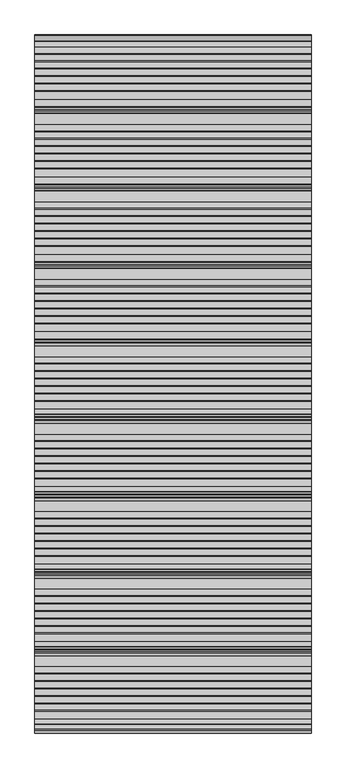
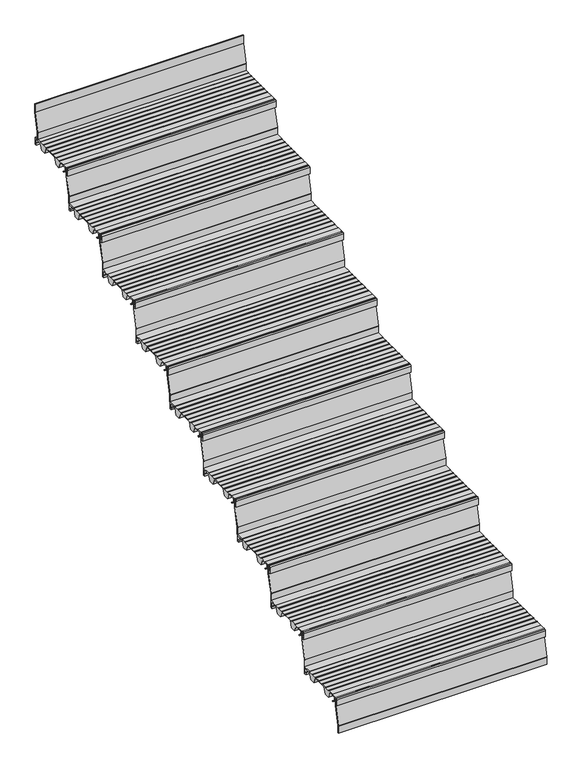
"""IFC4 building model written with IfcOpenShell, lengths in millimetres: stair flight geometry."""

from ifc_helpers import new_model, si_unit, point, frame, frame_2d, origin, place, context, project, spatial, polyline, circle_curve, trimmed, segment, composite_curve, outline, extrude, source, transform, mapped, element, save


def stair_flight_8d17edbe(model_context):
    return source(origin(), model_context, "Body", "SweptSolid", [
        extrude(outline(composite_curve([segment(polyline([(-12915.7714581, 4122.0083372), (-12904.0121655, 4112.8608187), (-12900.5625929, 4112.8532161), (-12900.5684453, 4110.197748), (-12904.9259703, 4110.2073517), (-12918.2117943, 4120.5423544), (-12918.8689923, 4140.3419091), (-12935.6889024, 4140.3048394), (-12935.6889024, 4118.9532616), (-12929.7889347, 4118.9662647), (-12929.7889347, 4109.707616), (-12938.9832568, 4109.707616), (-12938.9832568, 4140.5882353)]), True, "CONTINUOUS"), segment(trimmed(circle_curve(frame_2d((-12933.9832568, 4140.5882353)), 5.0), [point((-12938.9832568, 4140.5882353))], [point((-12933.9832568, 4145.5882353))], False, "CARTESIAN"), True, "CONTINUOUS"), segment(polyline([(-12933.9832568, 4145.5882353), (-12899.2747035, 4145.5882353), (-12899.2747035, 4144.2062594), (-12869.2485475, 4144.1400841), (-12869.2485475, 4145.7289212), (-12867.213968, 4145.7289212), (-12867.213968, 4143.7846383), (-12842.3673917, 4143.7846383), (-12842.3673917, 4145.7289212), (-12840.3328122, 4145.7289212), (-12840.3328122, 4143.7846383), (-12815.4862358, 4143.7846383), (-12815.4862358, 4145.7289212), (-12813.4516563, 4145.7289212), (-12813.4516563, 4143.7846383), (-12788.60508, 4143.7846383), (-12788.60508, 4145.7289212), (-12786.5705005, 4145.7289212), (-12786.5705005, 4143.7846383), (-12761.7239241, 4143.7846383), (-12761.7239241, 4145.7289212), (-12759.6893446, 4145.7289212), (-12759.6893446, 4143.7846383), (-12734.852176, 4143.7846383), (-12734.852176, 4145.7289212), (-12732.8175965, 4145.7289212), (-12732.8175965, 4143.7846383), (-12707.9697223, 4143.7846383), (-12707.9697223, 4145.6741584), (-12668.9832568, 4145.5882353), (-12668.9832568, 4109.6873524), (-12678.1775789, 4109.707616), (-12678.1775789, 4118.9662647), (-12672.2776112, 4118.9532616), (-12672.2776112, 4140.3048394), (-12710.4991521, 4140.3890766), (-12721.2246336, 4109.8024883), (-12746.1164136, 4109.8573478), (-12759.1103611, 4141.063068), (-12829.7810763, 4141.2188207), (-12840.7051778, 4110.0658141), (-12865.5969579, 4110.1206736), (-12878.6696565, 4141.5155193), (-12899.2747035, 4141.5609312), (-12899.2747035, 4140.3850934), (-12916.3801784, 4140.3473943), (-12915.7714581, 4122.0083372)]), True, "CONTINUOUS")], self_intersect=False)), frame((-16322.7515248, 0.0, 0.0), z_axis=(1.0, 0.0, 0.0), x_axis=(0.0, 1.0, 0.0)), (0.0, 0.0, 1.0), 1000.0),
        extrude(outline(composite_curve([segment(polyline([(-12927.4779196, 4145.5882353), (-12925.4776692, 4145.5882353), (-12925.4776692, 4104.1312856)]), True, "CONTINUOUS"), segment(trimmed(circle_curve(frame_2d((-12929.3540568, 4104.0469557)), 3.8773048), [point((-12925.4776692, 4104.1312856))], [point((-12925.5840737, 4103.1410199))], False, "CARTESIAN"), True, "CONTINUOUS"), segment(polyline([(-12925.5840737, 4103.1410199), (-12946.9830064, 4014.0909912), (-12946.9830064, 3978.0882353), (-12948.9832568, 3978.0882353), (-12948.9832568, 4013.7817433)]), True, "CONTINUOUS"), segment(trimmed(circle_curve(frame_2d((-12944.394955, 4013.7817433)), 4.5883018), [point((-12948.9832568, 4013.7817433))], [point((-12948.8562551, 4014.8538043))], False, "CARTESIAN"), True, "CONTINUOUS"), segment(polyline([(-12948.8562551, 4014.8538043), (-12927.4779196, 4103.8181193), (-12927.4779196, 4145.5882353)]), True, "CONTINUOUS")], self_intersect=False)), frame((-16322.7515248, 0.0, 0.0), z_axis=(1.0, 0.0, 0.0), x_axis=(0.0, 1.0, 0.0)), (0.0, 0.0, 1.0), 1000.0),
        extrude(outline(composite_curve([segment(polyline([(-12647.4779196, 4311.4117647), (-12645.4776692, 4311.4117647), (-12645.4776692, 4269.954815)]), True, "CONTINUOUS"), segment(trimmed(circle_curve(frame_2d((-12649.3540568, 4269.8704851)), 3.8773048), [point((-12645.4776692, 4269.954815))], [point((-12645.5840737, 4268.9645493))], False, "CARTESIAN"), True, "CONTINUOUS"), segment(polyline([(-12645.5840737, 4268.9645493), (-12666.9830064, 4179.9145206), (-12666.9830064, 4143.9117647), (-12668.9832568, 4143.9117647), (-12668.9832568, 4179.6052727)]), True, "CONTINUOUS"), segment(trimmed(circle_curve(frame_2d((-12664.394955, 4179.6052727)), 4.5883018), [point((-12668.9832568, 4179.6052727))], [point((-12668.8562551, 4180.6773337))], False, "CARTESIAN"), True, "CONTINUOUS"), segment(polyline([(-12668.8562551, 4180.6773337), (-12647.4779196, 4269.6416487), (-12647.4779196, 4311.4117647)]), True, "CONTINUOUS")], self_intersect=False)), frame((-16322.7515248, 0.0, 0.0), z_axis=(1.0, 0.0, 0.0), x_axis=(0.0, 1.0, 0.0)), (0.0, 0.0, 1.0), 1000.0),
        extrude(outline(composite_curve([segment(polyline([(-12635.7714581, 4287.8318666), (-12624.0121655, 4278.6843481), (-12620.5625929, 4278.6767455), (-12620.5684453, 4276.0212774), (-12624.9259703, 4276.0308811), (-12638.2117943, 4286.3658838), (-12638.8689923, 4306.1654385), (-12655.6889024, 4306.1283688), (-12655.6889024, 4284.7767911), (-12649.7889347, 4284.7897941), (-12649.7889347, 4275.5311454), (-12658.9832568, 4275.5311454), (-12658.9832568, 4306.4117647)]), True, "CONTINUOUS"), segment(trimmed(circle_curve(frame_2d((-12653.9832568, 4306.4117647)), 5.0), [point((-12658.9832568, 4306.4117647))], [point((-12653.9832568, 4311.4117647))], False, "CARTESIAN"), True, "CONTINUOUS"), segment(polyline([(-12653.9832568, 4311.4117647), (-12619.2747035, 4311.4117647), (-12619.2747035, 4310.0297889), (-12589.2485475, 4309.9636136), (-12589.2485475, 4311.5524506), (-12587.213968, 4311.5524506), (-12587.213968, 4309.6081677), (-12562.3673917, 4309.6081677), (-12562.3673917, 4311.5524506), (-12560.3328122, 4311.5524506), (-12560.3328122, 4309.6081677), (-12535.4862358, 4309.6081677), (-12535.4862358, 4311.5524506), (-12533.4516563, 4311.5524506), (-12533.4516563, 4309.6081677), (-12508.60508, 4309.6081677), (-12508.60508, 4311.5524506), (-12506.5705005, 4311.5524506), (-12506.5705005, 4309.6081677), (-12481.7239241, 4309.6081677), (-12481.7239241, 4311.5524506), (-12479.6893446, 4311.5524506), (-12479.6893446, 4309.6081677), (-12454.852176, 4309.6081677), (-12454.852176, 4311.5524506), (-12452.8175965, 4311.5524506), (-12452.8175965, 4309.6081677), (-12427.9697223, 4309.6081677), (-12427.9697223, 4311.4976878), (-12388.9832568, 4311.4117647), (-12388.9832568, 4275.5108818), (-12398.1775789, 4275.5311454), (-12398.1775789, 4284.7897941), (-12392.2776112, 4284.7767911), (-12392.2776112, 4306.1283688), (-12430.4991521, 4306.2126061), (-12441.2246336, 4275.6260177), (-12466.1164136, 4275.6808772), (-12479.1103611, 4306.8865974), (-12549.7810763, 4307.0423501), (-12560.7051778, 4275.8893435), (-12585.5969579, 4275.944203), (-12598.6696565, 4307.3390487), (-12619.2747035, 4307.3844606), (-12619.2747035, 4306.2086228), (-12636.3801784, 4306.1709237), (-12635.7714581, 4287.8318666)]), True, "CONTINUOUS")], self_intersect=False)), frame((-16322.7515248, 0.0, 0.0), z_axis=(1.0, 0.0, 0.0), x_axis=(0.0, 1.0, 0.0)), (0.0, 0.0, 1.0), 1000.0),
        extrude(outline(composite_curve([segment(polyline([(-12367.4779196, 4477.2352941), (-12365.4776692, 4477.2352941), (-12365.4776692, 4435.7783444)]), True, "CONTINUOUS"), segment(trimmed(circle_curve(frame_2d((-12369.3540568, 4435.6940145)), 3.8773048), [point((-12365.4776692, 4435.7783444))], [point((-12365.5840737, 4434.7880787))], False, "CARTESIAN"), True, "CONTINUOUS"), segment(polyline([(-12365.5840737, 4434.7880787), (-12386.9830064, 4345.73805), (-12386.9830064, 4309.7352941), (-12388.9832568, 4309.7352941), (-12388.9832568, 4345.4288021)]), True, "CONTINUOUS"), segment(trimmed(circle_curve(frame_2d((-12384.394955, 4345.4288021)), 4.5883018), [point((-12388.9832568, 4345.4288021))], [point((-12388.8562551, 4346.5008631))], False, "CARTESIAN"), True, "CONTINUOUS"), segment(polyline([(-12388.8562551, 4346.5008631), (-12367.4779196, 4435.4651781), (-12367.4779196, 4477.2352941)]), True, "CONTINUOUS")], self_intersect=False)), frame((-16322.7515248, 0.0, 0.0), z_axis=(1.0, 0.0, 0.0), x_axis=(0.0, 1.0, 0.0)), (0.0, 0.0, 1.0), 1000.0),
        extrude(outline(composite_curve([segment(polyline([(-12355.7714581, 4453.655396), (-12344.0121655, 4444.5078775), (-12340.5625929, 4444.5002749), (-12340.5684453, 4441.8448068), (-12344.9259703, 4441.8544105), (-12358.2117943, 4452.1894132), (-12358.8689923, 4471.988968), (-12375.6889024, 4471.9518982), (-12375.6889024, 4450.6003205), (-12369.7889347, 4450.6133235), (-12369.7889347, 4441.3546748), (-12378.9832568, 4441.3546748), (-12378.9832568, 4472.2352941)]), True, "CONTINUOUS"), segment(trimmed(circle_curve(frame_2d((-12373.9832568, 4472.2352941)), 5.0), [point((-12378.9832568, 4472.2352941))], [point((-12373.9832568, 4477.2352941))], False, "CARTESIAN"), True, "CONTINUOUS"), segment(polyline([(-12373.9832568, 4477.2352941), (-12339.2747035, 4477.2352941), (-12339.2747035, 4475.8533183), (-12309.2485475, 4475.787143), (-12309.2485475, 4477.37598), (-12307.213968, 4477.37598), (-12307.213968, 4475.4316971), (-12282.3673917, 4475.4316971), (-12282.3673917, 4477.37598), (-12280.3328122, 4477.37598), (-12280.3328122, 4475.4316971), (-12255.4862358, 4475.4316971), (-12255.4862358, 4477.37598), (-12253.4516563, 4477.37598), (-12253.4516563, 4475.4316971), (-12228.60508, 4475.4316971), (-12228.60508, 4477.37598), (-12226.5705005, 4477.37598), (-12226.5705005, 4475.4316971), (-12201.7239241, 4475.4316971), (-12201.7239241, 4477.37598), (-12199.6893446, 4477.37598), (-12199.6893446, 4475.4316971), (-12174.852176, 4475.4316971), (-12174.852176, 4477.37598), (-12172.8175965, 4477.37598), (-12172.8175965, 4475.4316971), (-12147.9697223, 4475.4316971), (-12147.9697223, 4477.3212172), (-12108.9832568, 4477.2352941), (-12108.9832568, 4441.3344112), (-12118.1775789, 4441.3546748), (-12118.1775789, 4450.6133235), (-12112.2776112, 4450.6003205), (-12112.2776112, 4471.9518982), (-12150.4991521, 4472.0361355), (-12161.2246336, 4441.4495471), (-12186.1164136, 4441.5044067), (-12199.1103611, 4472.7101268), (-12269.7810763, 4472.8658795), (-12280.7051778, 4441.7128729), (-12305.5969579, 4441.7677324), (-12318.6696565, 4473.1625781), (-12339.2747035, 4473.2079901), (-12339.2747035, 4472.0321522), (-12356.3801784, 4471.9944531), (-12355.7714581, 4453.655396)]), True, "CONTINUOUS")], self_intersect=False)), frame((-16322.7515248, 0.0, 0.0), z_axis=(1.0, 0.0, 0.0), x_axis=(0.0, 1.0, 0.0)), (0.0, 0.0, 1.0), 1000.0),
        extrude(outline(composite_curve([segment(polyline([(-12087.4779196, 4643.0588235), (-12085.4776692, 4643.0588235), (-12085.4776692, 4601.6018738)]), True, "CONTINUOUS"), segment(trimmed(circle_curve(frame_2d((-12089.3540568, 4601.5175439)), 3.8773048), [point((-12085.4776692, 4601.6018738))], [point((-12085.5840737, 4600.6116081))], False, "CARTESIAN"), True, "CONTINUOUS"), segment(polyline([(-12085.5840737, 4600.6116081), (-12106.9830064, 4511.5615794), (-12106.9830064, 4475.5588235), (-12108.9832568, 4475.5588235), (-12108.9832568, 4511.2523315)]), True, "CONTINUOUS"), segment(trimmed(circle_curve(frame_2d((-12104.394955, 4511.2523315)), 4.5883018), [point((-12108.9832568, 4511.2523315))], [point((-12108.8562551, 4512.3243925))], False, "CARTESIAN"), True, "CONTINUOUS"), segment(polyline([(-12108.8562551, 4512.3243925), (-12087.4779196, 4601.2887075), (-12087.4779196, 4643.0588235)]), True, "CONTINUOUS")], self_intersect=False)), frame((-16322.7515248, 0.0, 0.0), z_axis=(1.0, 0.0, 0.0), x_axis=(0.0, 1.0, 0.0)), (0.0, 0.0, 1.0), 1000.0),
        extrude(outline(composite_curve([segment(polyline([(-12075.7714581, 4619.4789255), (-12064.0121655, 4610.3314069), (-12060.5625929, 4610.3238043), (-12060.5684453, 4607.6683362), (-12064.9259703, 4607.6779399), (-12078.2117943, 4618.0129426), (-12078.8689923, 4637.8124974), (-12095.6889024, 4637.7754276), (-12095.6889024, 4616.4238499), (-12089.7889347, 4616.436853), (-12089.7889347, 4607.1782042), (-12098.9832568, 4607.1782042), (-12098.9832568, 4638.0588235)]), True, "CONTINUOUS"), segment(trimmed(circle_curve(frame_2d((-12093.9832568, 4638.0588235)), 5.0), [point((-12098.9832568, 4638.0588235))], [point((-12093.9832568, 4643.0588235))], False, "CARTESIAN"), True, "CONTINUOUS"), segment(polyline([(-12093.9832568, 4643.0588235), (-12059.2747035, 4643.0588235), (-12059.2747035, 4641.6768477), (-12029.2485475, 4641.6106724), (-12029.2485475, 4643.1995094), (-12027.213968, 4643.1995094), (-12027.213968, 4641.2552265), (-12002.3673917, 4641.2552265), (-12002.3673917, 4643.1995094), (-12000.3328122, 4643.1995094), (-12000.3328122, 4641.2552265), (-11975.4862358, 4641.2552265), (-11975.4862358, 4643.1995094), (-11973.4516563, 4643.1995094), (-11973.4516563, 4641.2552265), (-11948.60508, 4641.2552265), (-11948.60508, 4643.1995094), (-11946.5705005, 4643.1995094), (-11946.5705005, 4641.2552265), (-11921.7239241, 4641.2552265), (-11921.7239241, 4643.1995094), (-11919.6893446, 4643.1995094), (-11919.6893446, 4641.2552265), (-11894.852176, 4641.2552265), (-11894.852176, 4643.1995094), (-11892.8175965, 4643.1995094), (-11892.8175965, 4641.2552265), (-11867.9697223, 4641.2552265), (-11867.9697223, 4643.1447466), (-11828.9832568, 4643.0588235), (-11828.9832568, 4607.1579406), (-11838.1775789, 4607.1782042), (-11838.1775789, 4616.436853), (-11832.2776112, 4616.4238499), (-11832.2776112, 4637.7754276), (-11870.4991521, 4637.8596649), (-11881.2246336, 4607.2730765), (-11906.1164136, 4607.3279361), (-11919.1103611, 4638.5336562), (-11989.7810763, 4638.6894089), (-12000.7051778, 4607.5364023), (-12025.5969579, 4607.5912618), (-12038.6696565, 4638.9861076), (-12059.2747035, 4639.0315195), (-12059.2747035, 4637.8556816), (-12076.3801784, 4637.8179825), (-12075.7714581, 4619.4789255)]), True, "CONTINUOUS")], self_intersect=False)), frame((-16322.7515248, 0.0, 0.0), z_axis=(1.0, 0.0, 0.0), x_axis=(0.0, 1.0, 0.0)), (0.0, 0.0, 1.0), 1000.0),
        extrude(outline(composite_curve([segment(polyline([(-11807.4779196, 4808.8823529), (-11805.4776692, 4808.8823529), (-11805.4776692, 4767.4254032)]), True, "CONTINUOUS"), segment(trimmed(circle_curve(frame_2d((-11809.3540568, 4767.3410734)), 3.8773048), [point((-11805.4776692, 4767.4254032))], [point((-11805.5840737, 4766.4351375))], False, "CARTESIAN"), True, "CONTINUOUS"), segment(polyline([(-11805.5840737, 4766.4351375), (-11826.9830064, 4677.3851088), (-11826.9830064, 4641.3823529), (-11828.9832568, 4641.3823529), (-11828.9832568, 4677.075861)]), True, "CONTINUOUS"), segment(trimmed(circle_curve(frame_2d((-11824.394955, 4677.075861)), 4.5883018), [point((-11828.9832568, 4677.075861))], [point((-11828.8562551, 4678.1479219))], False, "CARTESIAN"), True, "CONTINUOUS"), segment(polyline([(-11828.8562551, 4678.1479219), (-11807.4779196, 4767.112237), (-11807.4779196, 4808.8823529)]), True, "CONTINUOUS")], self_intersect=False)), frame((-16322.7515248, 0.0, 0.0), z_axis=(1.0, 0.0, 0.0), x_axis=(0.0, 1.0, 0.0)), (0.0, 0.0, 1.0), 1000.0),
        extrude(outline(composite_curve([segment(polyline([(-11795.7714581, 4785.3024549), (-11784.0121655, 4776.1549363), (-11780.5625929, 4776.1473337), (-11780.5684453, 4773.4918657), (-11784.9259703, 4773.5014693), (-11798.2117943, 4783.836472), (-11798.8689923, 4803.6360268), (-11815.6889024, 4803.598957), (-11815.6889024, 4782.2473793), (-11809.7889347, 4782.2603824), (-11809.7889347, 4773.0017336), (-11818.9832568, 4773.0017336), (-11818.9832568, 4803.8823529)]), True, "CONTINUOUS"), segment(trimmed(circle_curve(frame_2d((-11813.9832568, 4803.8823529)), 5.0), [point((-11818.9832568, 4803.8823529))], [point((-11813.9832568, 4808.8823529))], False, "CARTESIAN"), True, "CONTINUOUS"), segment(polyline([(-11813.9832568, 4808.8823529), (-11779.2747035, 4808.8823529), (-11779.2747035, 4807.5003771), (-11749.2485475, 4807.4342018), (-11749.2485475, 4809.0230388), (-11747.213968, 4809.0230388), (-11747.213968, 4807.0787559), (-11722.3673917, 4807.0787559), (-11722.3673917, 4809.0230388), (-11720.3328122, 4809.0230388), (-11720.3328122, 4807.0787559), (-11695.4862358, 4807.0787559), (-11695.4862358, 4809.0230388), (-11693.4516563, 4809.0230388), (-11693.4516563, 4807.0787559), (-11668.60508, 4807.0787559), (-11668.60508, 4809.0230388), (-11666.5705005, 4809.0230388), (-11666.5705005, 4807.0787559), (-11641.7239241, 4807.0787559), (-11641.7239241, 4809.0230388), (-11639.6893446, 4809.0230388), (-11639.6893446, 4807.0787559), (-11614.852176, 4807.0787559), (-11614.852176, 4809.0230388), (-11612.8175965, 4809.0230388), (-11612.8175965, 4807.0787559), (-11587.9697223, 4807.0787559), (-11587.9697223, 4808.9682761), (-11548.9832568, 4808.8823529), (-11548.9832568, 4772.9814701), (-11558.1775789, 4773.0017336), (-11558.1775789, 4782.2603824), (-11552.2776112, 4782.2473793), (-11552.2776112, 4803.598957), (-11590.4991521, 4803.6831943), (-11601.2246336, 4773.096606), (-11626.1164136, 4773.1514655), (-11639.1103611, 4804.3571856), (-11709.7810763, 4804.5129384), (-11720.7051778, 4773.3599317), (-11745.5969579, 4773.4147912), (-11758.6696565, 4804.809637), (-11779.2747035, 4804.8550489), (-11779.2747035, 4803.6792111), (-11796.3801784, 4803.6415119), (-11795.7714581, 4785.3024549)]), True, "CONTINUOUS")], self_intersect=False)), frame((-16322.7515248, 0.0, 0.0), z_axis=(1.0, 0.0, 0.0), x_axis=(0.0, 1.0, 0.0)), (0.0, 0.0, 1.0), 1000.0),
        extrude(outline(composite_curve([segment(polyline([(-11527.4779196, 4974.7058824), (-11525.4776692, 4974.7058824), (-11525.4776692, 4933.2489326)]), True, "CONTINUOUS"), segment(trimmed(circle_curve(frame_2d((-11529.3540568, 4933.1646028)), 3.8773048), [point((-11525.4776692, 4933.2489326))], [point((-11525.5840737, 4932.2586669))], False, "CARTESIAN"), True, "CONTINUOUS"), segment(polyline([(-11525.5840737, 4932.2586669), (-11546.9830064, 4843.2086383), (-11546.9830064, 4807.2058824), (-11548.9832568, 4807.2058824), (-11548.9832568, 4842.8993904)]), True, "CONTINUOUS"), segment(trimmed(circle_curve(frame_2d((-11544.394955, 4842.8993904)), 4.5883018), [point((-11548.9832568, 4842.8993904))], [point((-11548.8562551, 4843.9714513))], False, "CARTESIAN"), True, "CONTINUOUS"), segment(polyline([(-11548.8562551, 4843.9714513), (-11527.4779196, 4932.9357664), (-11527.4779196, 4974.7058824)]), True, "CONTINUOUS")], self_intersect=False)), frame((-16322.7515248, 0.0, 0.0), z_axis=(1.0, 0.0, 0.0), x_axis=(0.0, 1.0, 0.0)), (0.0, 0.0, 1.0), 1000.0),
        extrude(outline(composite_curve([segment(polyline([(-11515.7714581, 4951.1259843), (-11504.0121655, 4941.9784657), (-11500.5625929, 4941.9708632), (-11500.5684453, 4939.3153951), (-11504.9259703, 4939.3249987), (-11518.2117943, 4949.6600014), (-11518.8689923, 4969.4595562), (-11535.6889024, 4969.4224864), (-11535.6889024, 4948.0709087), (-11529.7889347, 4948.0839118), (-11529.7889347, 4938.825263), (-11538.9832568, 4938.825263), (-11538.9832568, 4969.7058824)]), True, "CONTINUOUS"), segment(trimmed(circle_curve(frame_2d((-11533.9832568, 4969.7058824)), 5.0), [point((-11538.9832568, 4969.7058824))], [point((-11533.9832568, 4974.7058824))], False, "CARTESIAN"), True, "CONTINUOUS"), segment(polyline([(-11533.9832568, 4974.7058824), (-11499.2747035, 4974.7058824), (-11499.2747035, 4973.3239065), (-11469.2485475, 4973.2577312), (-11469.2485475, 4974.8465682), (-11467.213968, 4974.8465682), (-11467.213968, 4972.9022853), (-11442.3673917, 4972.9022853), (-11442.3673917, 4974.8465682), (-11440.3328122, 4974.8465682), (-11440.3328122, 4972.9022853), (-11415.4862358, 4972.9022853), (-11415.4862358, 4974.8465682), (-11413.4516563, 4974.8465682), (-11413.4516563, 4972.9022853), (-11388.60508, 4972.9022853), (-11388.60508, 4974.8465682), (-11386.5705005, 4974.8465682), (-11386.5705005, 4972.9022853), (-11361.7239241, 4972.9022853), (-11361.7239241, 4974.8465682), (-11359.6893446, 4974.8465682), (-11359.6893446, 4972.9022853), (-11334.852176, 4972.9022853), (-11334.852176, 4974.8465682), (-11332.8175965, 4974.8465682), (-11332.8175965, 4972.9022853), (-11307.9697223, 4972.9022853), (-11307.9697223, 4974.7918055), (-11268.9832568, 4974.7058824), (-11268.9832568, 4938.8049995), (-11278.1775789, 4938.825263), (-11278.1775789, 4948.0839118), (-11272.2776112, 4948.0709087), (-11272.2776112, 4969.4224864), (-11310.4991521, 4969.5067237), (-11321.2246336, 4938.9201354), (-11346.1164136, 4938.9749949), (-11359.1103611, 4970.180715), (-11429.7810763, 4970.3364678), (-11440.7051778, 4939.1834611), (-11465.5969579, 4939.2383207), (-11478.6696565, 4970.6331664), (-11499.2747035, 4970.6785783), (-11499.2747035, 4969.5027405), (-11516.3801784, 4969.4650413), (-11515.7714581, 4951.1259843)]), True, "CONTINUOUS")], self_intersect=False)), frame((-16322.7515248, 0.0, 0.0), z_axis=(1.0, 0.0, 0.0), x_axis=(0.0, 1.0, 0.0)), (0.0, 0.0, 1.0), 1000.0),
        extrude(outline(composite_curve([segment(polyline([(-11247.4779196, 5140.5294118), (-11245.4776692, 5140.5294118), (-11245.4776692, 5099.072462)]), True, "CONTINUOUS"), segment(trimmed(circle_curve(frame_2d((-11249.3540568, 5098.9881322)), 3.8773048), [point((-11245.4776692, 5099.072462))], [point((-11245.5840737, 5098.0821963))], False, "CARTESIAN"), True, "CONTINUOUS"), segment(polyline([(-11245.5840737, 5098.0821963), (-11266.9830064, 5009.0321677), (-11266.9830064, 4973.0294118), (-11268.9832568, 4973.0294118), (-11268.9832568, 5008.7229198)]), True, "CONTINUOUS"), segment(trimmed(circle_curve(frame_2d((-11264.394955, 5008.7229198)), 4.5883018), [point((-11268.9832568, 5008.7229198))], [point((-11268.8562551, 5009.7949808))], False, "CARTESIAN"), True, "CONTINUOUS"), segment(polyline([(-11268.8562551, 5009.7949808), (-11247.4779196, 5098.7592958), (-11247.4779196, 5140.5294118)]), True, "CONTINUOUS")], self_intersect=False)), frame((-16322.7515248, 0.0, 0.0), z_axis=(1.0, 0.0, 0.0), x_axis=(0.0, 1.0, 0.0)), (0.0, 0.0, 1.0), 1000.0),
        extrude(outline(composite_curve([segment(polyline([(-11235.7714581, 5116.9495137), (-11224.0121655, 5107.8019951), (-11220.5625929, 5107.7943926), (-11220.5684453, 5105.1389245), (-11224.9259703, 5105.1485281), (-11238.2117943, 5115.4835308), (-11238.8689923, 5135.2830856), (-11255.6889024, 5135.2460158), (-11255.6889024, 5113.8944381), (-11249.7889347, 5113.9074412), (-11249.7889347, 5104.6487924), (-11258.9832568, 5104.6487924), (-11258.9832568, 5135.5294118)]), True, "CONTINUOUS"), segment(trimmed(circle_curve(frame_2d((-11253.9832568, 5135.5294118)), 5.0), [point((-11258.9832568, 5135.5294118))], [point((-11253.9832568, 5140.5294118))], False, "CARTESIAN"), True, "CONTINUOUS"), segment(polyline([(-11253.9832568, 5140.5294118), (-11219.2747035, 5140.5294118), (-11219.2747035, 5139.1474359), (-11189.2485475, 5139.0812606), (-11189.2485475, 5140.6700976), (-11187.213968, 5140.6700976), (-11187.213968, 5138.7258147), (-11162.3673917, 5138.7258147), (-11162.3673917, 5140.6700976), (-11160.3328122, 5140.6700976), (-11160.3328122, 5138.7258147), (-11135.4862358, 5138.7258147), (-11135.4862358, 5140.6700976), (-11133.4516563, 5140.6700976), (-11133.4516563, 5138.7258147), (-11108.60508, 5138.7258147), (-11108.60508, 5140.6700976), (-11106.5705005, 5140.6700976), (-11106.5705005, 5138.7258147), (-11081.7239241, 5138.7258147), (-11081.7239241, 5140.6700976), (-11079.6893446, 5140.6700976), (-11079.6893446, 5138.7258147), (-11054.852176, 5138.7258147), (-11054.852176, 5140.6700976), (-11052.8175965, 5140.6700976), (-11052.8175965, 5138.7258147), (-11027.9697223, 5138.7258147), (-11027.9697223, 5140.6153349), (-10988.9832568, 5140.5294118), (-10988.9832568, 5104.6285289), (-10998.1775789, 5104.6487924), (-10998.1775789, 5113.9074412), (-10992.2776112, 5113.8944381), (-10992.2776112, 5135.2460158), (-11030.4991521, 5135.3302531), (-11041.2246336, 5104.7436648), (-11066.1164136, 5104.7985243), (-11079.1103611, 5136.0042445), (-11149.7810763, 5136.1599972), (-11160.7051778, 5105.0069905), (-11185.5969579, 5105.0618501), (-11198.6696565, 5136.4566958), (-11219.2747035, 5136.5021077), (-11219.2747035, 5135.3262699), (-11236.3801784, 5135.2885708), (-11235.7714581, 5116.9495137)]), True, "CONTINUOUS")], self_intersect=False)), frame((-16322.7515248, 0.0, 0.0), z_axis=(1.0, 0.0, 0.0), x_axis=(0.0, 1.0, 0.0)), (0.0, 0.0, 1.0), 1000.0),
        extrude(outline(composite_curve([segment(polyline([(-10967.4779196, 5306.3529412), (-10965.4776692, 5306.3529412), (-10965.4776692, 5264.8959915)]), True, "CONTINUOUS"), segment(trimmed(circle_curve(frame_2d((-10969.3540568, 5264.8116616)), 3.8773048), [point((-10965.4776692, 5264.8959915))], [point((-10965.5840737, 5263.9057257))], False, "CARTESIAN"), True, "CONTINUOUS"), segment(polyline([(-10965.5840737, 5263.9057257), (-10986.9830064, 5174.8556971), (-10986.9830064, 5138.8529412), (-10988.9832568, 5138.8529412), (-10988.9832568, 5174.5464492)]), True, "CONTINUOUS"), segment(trimmed(circle_curve(frame_2d((-10984.394955, 5174.5464492)), 4.5883018), [point((-10988.9832568, 5174.5464492))], [point((-10988.8562551, 5175.6185102))], False, "CARTESIAN"), True, "CONTINUOUS"), segment(polyline([(-10988.8562551, 5175.6185102), (-10967.4779196, 5264.5828252), (-10967.4779196, 5306.3529412)]), True, "CONTINUOUS")], self_intersect=False)), frame((-16322.7515248, 0.0, 0.0), z_axis=(1.0, 0.0, 0.0), x_axis=(0.0, 1.0, 0.0)), (0.0, 0.0, 1.0), 1000.0),
        extrude(outline(composite_curve([segment(polyline([(-10955.7714581, 5282.7730431), (-10944.0121655, 5273.6255246), (-10940.5625929, 5273.617922), (-10940.5684453, 5270.9624539), (-10944.9259703, 5270.9720575), (-10958.2117943, 5281.3070603), (-10958.8689923, 5301.106615), (-10975.6889024, 5301.0695452), (-10975.6889024, 5279.7179675), (-10969.7889347, 5279.7309706), (-10969.7889347, 5270.4723219), (-10978.9832568, 5270.4723219), (-10978.9832568, 5301.3529412)]), True, "CONTINUOUS"), segment(trimmed(circle_curve(frame_2d((-10973.9832568, 5301.3529412)), 5.0), [point((-10978.9832568, 5301.3529412))], [point((-10973.9832568, 5306.3529412))], False, "CARTESIAN"), True, "CONTINUOUS"), segment(polyline([(-10973.9832568, 5306.3529412), (-10939.2747035, 5306.3529412), (-10939.2747035, 5304.9709653), (-10909.2485475, 5304.90479), (-10909.2485475, 5306.4936271), (-10907.213968, 5306.4936271), (-10907.213968, 5304.5493441), (-10882.3673917, 5304.5493441), (-10882.3673917, 5306.4936271), (-10880.3328122, 5306.4936271), (-10880.3328122, 5304.5493441), (-10855.4862358, 5304.5493441), (-10855.4862358, 5306.4936271), (-10853.4516563, 5306.4936271), (-10853.4516563, 5304.5493441), (-10828.60508, 5304.5493441), (-10828.60508, 5306.4936271), (-10826.5705005, 5306.4936271), (-10826.5705005, 5304.5493441), (-10801.7239241, 5304.5493441), (-10801.7239241, 5306.4936271), (-10799.6893446, 5306.4936271), (-10799.6893446, 5304.5493441), (-10774.852176, 5304.5493441), (-10774.852176, 5306.4936271), (-10772.8175965, 5306.4936271), (-10772.8175965, 5304.5493441), (-10747.9697223, 5304.5493441), (-10747.9697223, 5306.4388643), (-10708.9832568, 5306.3529412), (-10708.9832568, 5270.4520583), (-10718.1775789, 5270.4723219), (-10718.1775789, 5279.7309706), (-10712.2776112, 5279.7179675), (-10712.2776112, 5301.0695452), (-10750.4991521, 5301.1537825), (-10761.2246336, 5270.5671942), (-10786.1164136, 5270.6220537), (-10799.1103611, 5301.8277739), (-10869.7810763, 5301.9835266), (-10880.7051778, 5270.8305199), (-10905.5969579, 5270.8853795), (-10918.6696565, 5302.2802252), (-10939.2747035, 5302.3256371), (-10939.2747035, 5301.1497993), (-10956.3801784, 5301.1121002), (-10955.7714581, 5282.7730431)]), True, "CONTINUOUS")], self_intersect=False)), frame((-16322.7515248, 0.0, 0.0), z_axis=(1.0, 0.0, 0.0), x_axis=(0.0, 1.0, 0.0)), (0.0, 0.0, 1.0), 1000.0),
        extrude(outline(composite_curve([segment(polyline([(-10427.4779196, 5638.0), (-10425.4776692, 5638.0), (-10425.4776692, 5596.5430503)]), True, "CONTINUOUS"), segment(trimmed(circle_curve(frame_2d((-10429.3540568, 5596.4587204)), 3.8773048), [point((-10425.4776692, 5596.5430503))], [point((-10425.5840737, 5595.5527846))], False, "CARTESIAN"), True, "CONTINUOUS"), segment(polyline([(-10425.5840737, 5595.5527846), (-10446.9830064, 5506.5027559), (-10446.9830064, 5470.5), (-10448.9832568, 5470.5), (-10448.9832568, 5506.193508)]), True, "CONTINUOUS"), segment(trimmed(circle_curve(frame_2d((-10444.394955, 5506.193508)), 4.5883018), [point((-10448.9832568, 5506.193508))], [point((-10448.8562551, 5507.265569))], False, "CARTESIAN"), True, "CONTINUOUS"), segment(polyline([(-10448.8562551, 5507.265569), (-10427.4779196, 5596.229884), (-10427.4779196, 5638.0)]), True, "CONTINUOUS")], self_intersect=False)), frame((-16322.7515248, 0.0, 0.0), z_axis=(1.0, 0.0, 0.0), x_axis=(0.0, 1.0, 0.0)), (0.0, 0.0, 1.0), 1000.0),
        extrude(outline(composite_curve([segment(polyline([(-10687.4779196, 5472.1764706), (-10685.4776692, 5472.1764706), (-10685.4776692, 5430.7195209)]), True, "CONTINUOUS"), segment(trimmed(circle_curve(frame_2d((-10689.3540568, 5430.635191)), 3.8773048), [point((-10685.4776692, 5430.7195209))], [point((-10685.5840737, 5429.7292551))], False, "CARTESIAN"), True, "CONTINUOUS"), segment(polyline([(-10685.5840737, 5429.7292551), (-10706.9830064, 5340.6792265), (-10706.9830064, 5304.6764706), (-10708.9832568, 5304.6764706), (-10708.9832568, 5340.3699786)]), True, "CONTINUOUS"), segment(trimmed(circle_curve(frame_2d((-10704.394955, 5340.3699786)), 4.5883018), [point((-10708.9832568, 5340.3699786))], [point((-10708.8562551, 5341.4420396))], False, "CARTESIAN"), True, "CONTINUOUS"), segment(polyline([(-10708.8562551, 5341.4420396), (-10687.4779196, 5430.4063546), (-10687.4779196, 5472.1764706)]), True, "CONTINUOUS")], self_intersect=False)), frame((-16322.7515248, 0.0, 0.0), z_axis=(1.0, 0.0, 0.0), x_axis=(0.0, 1.0, 0.0)), (0.0, 0.0, 1.0), 1000.0),
        extrude(outline(composite_curve([segment(polyline([(-10675.7714581, 5448.5965725), (-10664.0121655, 5439.449054), (-10660.5625929, 5439.4414514), (-10660.5684453, 5436.7859833), (-10664.9259703, 5436.7955869), (-10678.2117943, 5447.1305897), (-10678.8689923, 5466.9301444), (-10695.6889024, 5466.8930747), (-10695.6889024, 5445.5414969), (-10689.7889347, 5445.5545), (-10689.7889347, 5436.2958513), (-10698.9832568, 5436.2958513), (-10698.9832568, 5467.1764706)]), True, "CONTINUOUS"), segment(trimmed(circle_curve(frame_2d((-10693.9832568, 5467.1764706)), 5.0), [point((-10698.9832568, 5467.1764706))], [point((-10693.9832568, 5472.1764706))], False, "CARTESIAN"), True, "CONTINUOUS"), segment(polyline([(-10693.9832568, 5472.1764706), (-10659.2747035, 5472.1764706), (-10659.2747035, 5470.7944947), (-10629.2485475, 5470.7283194), (-10629.2485475, 5472.3171565), (-10627.213968, 5472.3171565), (-10627.213968, 5470.3728736), (-10602.3673917, 5470.3728736), (-10602.3673917, 5472.3171565), (-10600.3328122, 5472.3171565), (-10600.3328122, 5470.3728736), (-10575.4862358, 5470.3728736), (-10575.4862358, 5472.3171565), (-10573.4516563, 5472.3171565), (-10573.4516563, 5470.3728736), (-10548.60508, 5470.3728736), (-10548.60508, 5472.3171565), (-10546.5705005, 5472.3171565), (-10546.5705005, 5470.3728736), (-10521.7239241, 5470.3728736), (-10521.7239241, 5472.3171565), (-10519.6893446, 5472.3171565), (-10519.6893446, 5470.3728736), (-10494.852176, 5470.3728736), (-10494.852176, 5472.3171565), (-10492.8175965, 5472.3171565), (-10492.8175965, 5470.3728736), (-10467.9697223, 5470.3728736), (-10467.9697223, 5472.2623937), (-10428.9832568, 5472.1764706), (-10428.9832568, 5436.2755877), (-10438.1775789, 5436.2958513), (-10438.1775789, 5445.5545), (-10432.2776112, 5445.5414969), (-10432.2776112, 5466.8930747), (-10470.4991521, 5466.9773119), (-10481.2246336, 5436.3907236), (-10506.1164136, 5436.4455831), (-10519.1103611, 5467.6513033), (-10589.7810763, 5467.807056), (-10600.7051778, 5436.6540494), (-10625.5969579, 5436.7089089), (-10638.6696565, 5468.1037546), (-10659.2747035, 5468.1491665), (-10659.2747035, 5466.9733287), (-10676.3801784, 5466.9356296), (-10675.7714581, 5448.5965725)]), True, "CONTINUOUS")], self_intersect=False)), frame((-16322.7515248, 0.0, 0.0), z_axis=(1.0, 0.0, 0.0), x_axis=(0.0, 1.0, 0.0)), (0.0, 0.0, 1.0), 1000.0),
    ])


if __name__ == "__main__":
    model = new_model("IFC4")
    model_context = context("Model", 3, world=origin())
    ifc_project = project(units=[si_unit("LENGTHUNIT", "METRE", prefix="MILLI")], contexts=[model_context])
    site = spatial("IfcSite", under=ifc_project)
    building = spatial("IfcBuilding", under=site)
    placement = place(None, origin())
    stair_flight_shape = stair_flight_8d17edbe(model_context)
    element("IfcStairFlight", 1, at=placement, inside=building, context=model_context, shape_type="MappedRepresentation", body=[
        mapped(stair_flight_shape, transform((0.0, 0.0, 0.0), x_axis=(1.0, 0.0, 0.0), y_axis=(0.0, 1.0, 0.0), z_axis=(0.0, 0.0, 1.0))),
    ])
    save(model, "model.ifc")
